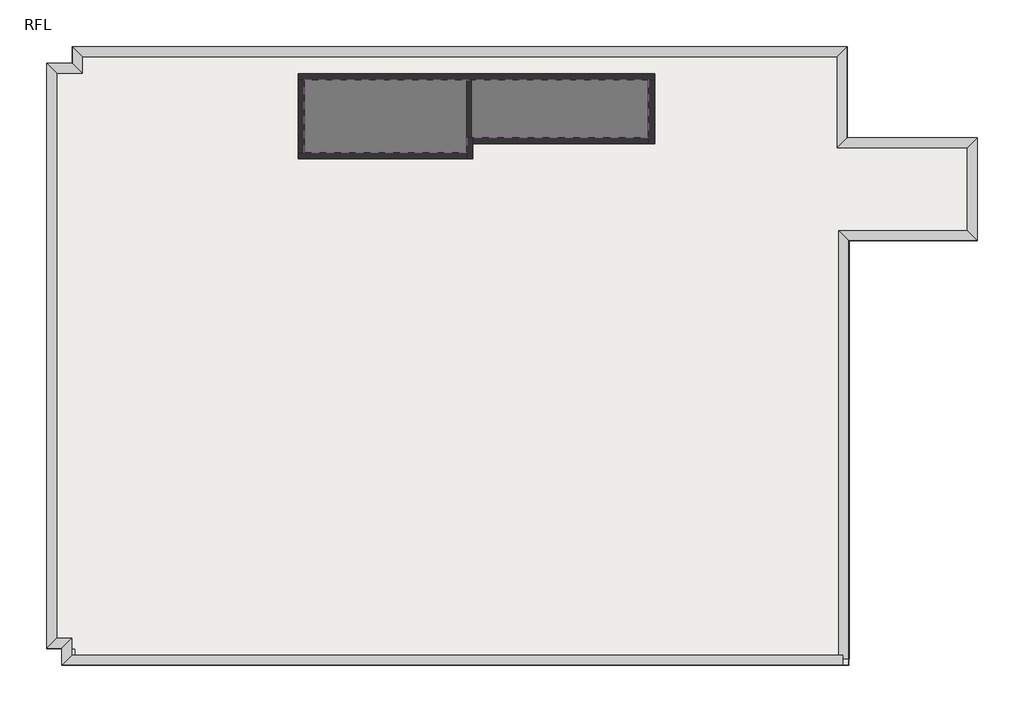
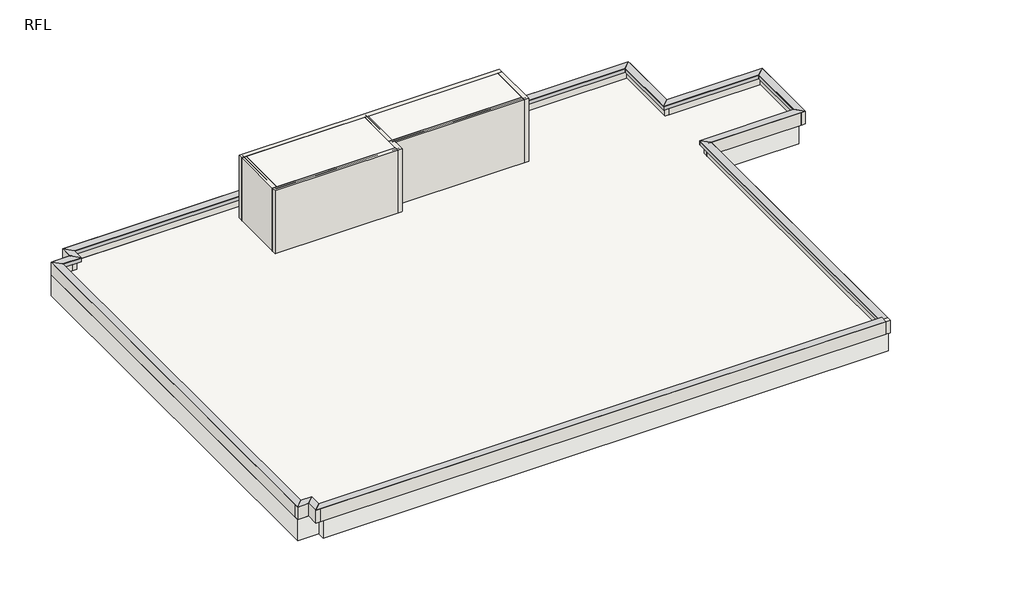
# One storey: 26 proxies, 19 walls, 2 slabs.
"""IFC4 building model written with IfcOpenShell, lengths in millimetres."""

from ifc_helpers import new_model, si_unit, frame, origin, place, context, project, spatial, polyline, outline, extrude, faceted_brep, element, save

model = new_model("IFC4")

# Units and contexts
model_context = context("Model", 3, world=origin())
ifc_project = project(units=[si_unit("LENGTHUNIT", "METRE", prefix="MILLI")], contexts=[model_context])

# Site, building, storey
site = spatial("IfcSite", under=ifc_project)
building = spatial("IfcBuilding", under=site)
storey = spatial("IfcBuildingStorey", under=building, Name="RFL", Elevation=32600.0)

# Proxies
placement = place(None, origin())
element("IfcBuildingElementProxy", 1, Name="Mass", at=placement, inside=storey, context=model_context, shape_type="SweptSolid", body=[
    extrude(outline(polyline([(-15395.9784025, 15749.6868987), (-15395.9784025, 13149.6868987), (-20945.9784025, 13149.6868987), (-20945.9784025, 15749.6868987), (-15395.9784025, 15749.6868987)])), frame((0.0, 0.0, 32600.0), z_axis=(0.0, 0.0, 1.0), x_axis=(1.0, 0.0, 0.0)), (0.0, 0.0, 1.0), 3000.0),
])
element("IfcBuildingElementProxy", 2, Name="Mass", at=placement, inside=storey, context=model_context, shape_type="SweptSolid", body=[
    extrude(outline(polyline([(-9395.9784025, 15749.6868987), (-9395.9784025, 13649.6868987), (-15395.9784025, 13649.6868987), (-15395.9784025, 15749.6868987), (-9395.9784025, 15749.6868987)])), frame((0.0, 0.0, 32600.0), z_axis=(0.0, 0.0, 1.0), x_axis=(1.0, 0.0, 0.0)), (0.0, 0.0, 1.0), 3000.0),
])
element("IfcBuildingElementProxy", 3, Name="Reveals", at=placement, inside=storey, context=model_context, shape_type="Brep", body=[
    faceted_brep([(-28165.9784025, 16419.6868987, 33170.0), (-28165.9784025, 16419.6868987, 33200.0), (-28495.9784025, 16749.6868987, 33200.0), (-3275.9784025, 16419.6868987, 33170.0), (-2945.9784025, 16749.6868987, 33200.0), (-3275.9784025, 16419.6868987, 33200.0)], [[[0, 1, 2]], [[3, 4, 5]], [[1, 0, 3, 5]], [[2, 1, 5, 4]], [[0, 2, 4, 3]]]),
])
element("IfcBuildingElementProxy", 4, Name="Wall Sweeps", at=placement, inside=storey, context=model_context, shape_type="Brep", body=[
    faceted_brep([(-28165.9784025, 16419.6868987, 33010.0), (-28165.9784025, 16419.6868987, 33170.0), (-28495.9784025, 16749.6868987, 33200.0), (-28295.9784025, 16549.6868987, 33010.0), (-3275.9784025, 16419.6868987, 33010.0), (-3145.9784025, 16549.6868987, 33010.0), (-2945.9784025, 16749.6868987, 33200.0), (-3275.9784025, 16419.6868987, 33170.0)], [[[0, 1, 2, 3]], [[4, 5, 6, 7]], [[1, 0, 4, 7]], [[2, 1, 7, 6]], [[3, 2, 6, 5]], [[0, 3, 5, 4]]]),
])
element("IfcBuildingElementProxy", 5, Name="Reveals", at=placement, inside=storey, context=model_context, shape_type="Brep", body=[
    faceted_brep([(-3275.9784025, 16419.6868987, 33170.0), (-3275.9784025, 16419.6868987, 33200.0), (-2945.9784025, 16749.6868987, 33200.0), (-3275.9784025, 13419.6868987, 33170.0), (-2945.9784025, 13749.6868987, 33200.0), (-3275.9784025, 13419.6868987, 33200.0)], [[[0, 1, 2]], [[3, 4, 5]], [[1, 0, 3, 5]], [[2, 1, 5, 4]], [[0, 2, 4, 3]]]),
])
element("IfcBuildingElementProxy", 6, Name="Wall Sweeps", at=placement, inside=storey, context=model_context, shape_type="Brep", body=[
    faceted_brep([(-3275.9784025, 16419.6868987, 33010.0), (-3275.9784025, 16419.6868987, 33170.0), (-2945.9784025, 16749.6868987, 33200.0), (-3145.9784025, 16549.6868987, 33010.0), (-3275.9784025, 13419.6868987, 33010.0), (-3145.9784025, 13549.6868987, 33010.0), (-2945.9784025, 13749.6868987, 33200.0), (-3275.9784025, 13419.6868987, 33170.0)], [[[0, 1, 2, 3]], [[4, 5, 6, 7]], [[1, 0, 4, 7]], [[2, 1, 7, 6]], [[3, 2, 6, 5]], [[0, 3, 5, 4]]]),
])
element("IfcBuildingElementProxy", 7, Name="Reveals", at=placement, inside=storey, context=model_context, shape_type="Brep", body=[
    faceted_brep([(-3275.9784025, 13419.6868987, 33170.0), (-3275.9784025, 13419.6868987, 33200.0), (-2945.9784025, 13749.6868987, 33200.0), (1024.0215975, 13419.6868987, 33170.0), (1354.0215975, 13749.6868987, 33200.0), (1024.0215975, 13419.6868987, 33200.0)], [[[0, 1, 2]], [[3, 4, 5]], [[1, 0, 3, 5]], [[2, 1, 5, 4]], [[0, 2, 4, 3]]]),
])
element("IfcBuildingElementProxy", 8, Name="Wall Sweeps", at=placement, inside=storey, context=model_context, shape_type="Brep", body=[
    faceted_brep([(-3275.9784025, 13419.6868987, 33010.0), (-3275.9784025, 13419.6868987, 33170.0), (-2945.9784025, 13749.6868987, 33200.0), (-3145.9784025, 13549.6868987, 33010.0), (1024.0215975, 13419.6868987, 33010.0), (1154.0215975, 13549.6868987, 33010.0), (1354.0215975, 13749.6868987, 33200.0), (1024.0215975, 13419.6868987, 33170.0)], [[[0, 1, 2, 3]], [[4, 5, 6, 7]], [[1, 0, 4, 7]], [[2, 1, 7, 6]], [[3, 2, 6, 5]], [[0, 3, 5, 4]]]),
])
element("IfcBuildingElementProxy", 9, Name="Reveals", at=placement, inside=storey, context=model_context, shape_type="Brep", body=[
    faceted_brep([(1024.0215975, 13419.6868987, 33170.0), (1024.0215975, 13419.6868987, 33200.0), (1354.0215975, 13749.6868987, 33200.0), (1024.0215975, 10679.6868987, 33170.0), (1354.0215975, 10349.6868987, 33200.0), (1024.0215975, 10679.6868987, 33200.0)], [[[0, 1, 2]], [[3, 4, 5]], [[1, 0, 3, 5]], [[2, 1, 5, 4]], [[0, 2, 4, 3]]]),
])
element("IfcBuildingElementProxy", 10, Name="Wall Sweeps", at=placement, inside=storey, context=model_context, shape_type="Brep", body=[
    faceted_brep([(1024.0215975, 13419.6868987, 33010.0), (1024.0215975, 13419.6868987, 33170.0), (1354.0215975, 13749.6868987, 33200.0), (1154.0215975, 13549.6868987, 33010.0), (1024.0215975, 10679.6868987, 33010.0), (1154.0215975, 10549.6868987, 33010.0), (1354.0215975, 10349.6868987, 33200.0), (1024.0215975, 10679.6868987, 33170.0)], [[[0, 1, 2, 3]], [[4, 5, 6, 7]], [[1, 0, 4, 7]], [[2, 1, 7, 6]], [[3, 2, 6, 5]], [[0, 3, 5, 4]]]),
])
element("IfcBuildingElementProxy", 11, Name="Reveals", at=placement, inside=storey, context=model_context, shape_type="Brep", body=[
    faceted_brep([(1024.0215975, 10679.6868987, 33170.0), (1024.0215975, 10679.6868987, 33200.0), (1354.0215975, 10349.6868987, 33200.0), (-3225.9784025, 10679.6868987, 33170.0), (-2895.9784025, 10349.6868987, 33200.0), (-3225.9784025, 10679.6868987, 33200.0)], [[[0, 1, 2]], [[3, 4, 5]], [[1, 0, 3, 5]], [[2, 1, 5, 4]], [[0, 2, 4, 3]]]),
])
element("IfcBuildingElementProxy", 12, Name="Wall Sweeps", at=placement, inside=storey, context=model_context, shape_type="Brep", body=[
    faceted_brep([(1024.0215975, 10679.6868987, 33010.0), (1024.0215975, 10679.6868987, 33170.0), (1354.0215975, 10349.6868987, 33200.0), (1154.0215975, 10549.6868987, 33010.0), (-3225.9784025, 10679.6868987, 33010.0), (-3095.9784025, 10549.6868987, 33010.0), (-2895.9784025, 10349.6868987, 33200.0), (-3225.9784025, 10679.6868987, 33170.0)], [[[0, 1, 2, 3]], [[4, 5, 6, 7]], [[1, 0, 4, 7]], [[2, 1, 7, 6]], [[3, 2, 6, 5]], [[0, 3, 5, 4]]]),
])
element("IfcBuildingElementProxy", 13, Name="Reveals", at=placement, inside=storey, context=model_context, shape_type="Brep", body=[
    faceted_brep([(-3225.9784025, 10679.6868987, 33170.0), (-3225.9784025, 10679.6868987, 33200.0), (-2895.9784025, 10349.6868987, 33200.0), (-3225.9784025, -3450.3131013, 33170.0), (-2895.9784025, -3450.3131013, 33200.0), (-3225.9784025, -3450.3131013, 33200.0)], [[[0, 1, 2]], [[3, 4, 5]], [[1, 0, 3, 5]], [[2, 1, 5, 4]], [[0, 2, 4, 3]]]),
])
element("IfcBuildingElementProxy", 14, Name="Wall Sweeps", at=placement, inside=storey, context=model_context, shape_type="Brep", body=[
    faceted_brep([(-3225.9784025, 10679.6868987, 33010.0), (-3225.9784025, 10679.6868987, 33170.0), (-2895.9784025, 10349.6868987, 33200.0), (-3095.9784025, 10549.6868987, 33010.0), (-3225.9784025, -3320.3131013, 33010.0), (-3095.9784025, -3450.3131013, 33010.0), (-2895.9784025, -3650.3131013, 33200.0), (-3225.9784025, -3320.3131013, 33170.0), (-2895.9784025, -3450.3131013, 33200.0)], [[[0, 1, 2, 3]], [[4, 5, 6, 7]], [[1, 0, 4, 7]], [[2, 1, 7, 6, 8]], [[3, 2, 8, 6, 5]], [[0, 3, 5, 4]]]),
])
element("IfcBuildingElementProxy", 15, Name="Reveals", at=placement, inside=storey, context=model_context, shape_type="Brep", body=[
    faceted_brep([(-3095.9784025, -3320.3131013, 33170.0), (-3095.9784025, -3320.3131013, 33200.0), (-3095.9784025, -3650.3131013, 33200.0), (-28515.9784025, -3320.3131013, 33170.0), (-28845.9784025, -3650.3131013, 33200.0), (-28515.9784025, -3320.3131013, 33200.0)], [[[0, 1, 2]], [[3, 4, 5]], [[1, 0, 3, 5]], [[2, 1, 5, 4]], [[0, 2, 4, 3]]]),
])
element("IfcBuildingElementProxy", 16, Name="Wall Sweeps", at=placement, inside=storey, context=model_context, shape_type="Brep", body=[
    faceted_brep([(-3225.9784025, -3320.3131013, 33010.0), (-3225.9784025, -3320.3131013, 33170.0), (-2895.9784025, -3650.3131013, 33200.0), (-3095.9784025, -3450.3131013, 33010.0), (-28515.9784025, -3320.3131013, 33010.0), (-28645.9784025, -3450.3131013, 33010.0), (-28845.9784025, -3650.3131013, 33200.0), (-28515.9784025, -3320.3131013, 33170.0)], [[[0, 1, 2, 3]], [[4, 5, 6, 7]], [[1, 0, 4, 7]], [[2, 1, 7, 6]], [[3, 2, 6, 5]], [[0, 3, 5, 4]]]),
])
element("IfcBuildingElementProxy", 17, Name="Reveals", at=placement, inside=storey, context=model_context, shape_type="Brep", body=[
    faceted_brep([(-28515.9784025, -3320.3131013, 33170.0), (-28515.9784025, -3320.3131013, 33200.0), (-28845.9784025, -3650.3131013, 33200.0), (-28515.9784025, -2765.3131013, 33170.0), (-28845.9784025, -3095.3131013, 33200.0), (-28515.9784025, -2765.3131013, 33200.0)], [[[0, 1, 2]], [[3, 4, 5]], [[1, 0, 3, 5]], [[2, 1, 5, 4]], [[0, 2, 4, 3]]]),
])
element("IfcBuildingElementProxy", 18, Name="Wall Sweeps", at=placement, inside=storey, context=model_context, shape_type="Brep", body=[
    faceted_brep([(-28515.9784025, -3320.3131013, 33010.0), (-28515.9784025, -3320.3131013, 33170.0), (-28845.9784025, -3650.3131013, 33200.0), (-28645.9784025, -3450.3131013, 33010.0), (-28515.9784025, -2765.3131013, 33010.0), (-28645.9784025, -2895.3131013, 33010.0), (-28845.9784025, -3095.3131013, 33200.0), (-28515.9784025, -2765.3131013, 33170.0)], [[[0, 1, 2, 3]], [[4, 5, 6, 7]], [[1, 0, 4, 7]], [[2, 1, 7, 6]], [[3, 2, 6, 5]], [[0, 3, 5, 4]]]),
])
element("IfcBuildingElementProxy", 19, Name="Reveals", at=placement, inside=storey, context=model_context, shape_type="Brep", body=[
    faceted_brep([(-28515.9784025, -2765.3131013, 33170.0), (-28515.9784025, -2765.3131013, 33200.0), (-28845.9784025, -3095.3131013, 33200.0), (-29015.9784025, -2765.3131013, 33170.0), (-29345.9784025, -3095.3131013, 33200.0), (-29015.9784025, -2765.3131013, 33200.0)], [[[0, 1, 2]], [[3, 4, 5]], [[1, 0, 3, 5]], [[2, 1, 5, 4]], [[0, 2, 4, 3]]]),
])
element("IfcBuildingElementProxy", 20, Name="Wall Sweeps", at=placement, inside=storey, context=model_context, shape_type="Brep", body=[
    faceted_brep([(-28515.9784025, -2765.3131013, 33010.0), (-28515.9784025, -2765.3131013, 33170.0), (-28845.9784025, -3095.3131013, 33200.0), (-28645.9784025, -2895.3131013, 33010.0), (-29015.9784025, -2765.3131013, 33010.0), (-29145.9784025, -2895.3131013, 33010.0), (-29345.9784025, -3095.3131013, 33200.0), (-29015.9784025, -2765.3131013, 33170.0)], [[[0, 1, 2, 3]], [[4, 5, 6, 7]], [[1, 0, 4, 7]], [[2, 1, 7, 6]], [[3, 2, 6, 5]], [[0, 3, 5, 4]]]),
])
element("IfcBuildingElementProxy", 21, Name="Reveals", at=placement, inside=storey, context=model_context, shape_type="Brep", body=[
    faceted_brep([(-29015.9784025, -2765.3131013, 33170.0), (-29015.9784025, -2765.3131013, 33200.0), (-29345.9784025, -3095.3131013, 33200.0), (-29015.9784025, 15869.6868987, 33170.0), (-29345.9784025, 16199.6868987, 33200.0), (-29015.9784025, 15869.6868987, 33200.0)], [[[0, 1, 2]], [[3, 4, 5]], [[1, 0, 3, 5]], [[2, 1, 5, 4]], [[0, 2, 4, 3]]]),
])
element("IfcBuildingElementProxy", 22, Name="Wall Sweeps", at=placement, inside=storey, context=model_context, shape_type="Brep", body=[
    faceted_brep([(-29015.9784025, -2765.3131013, 33010.0), (-29015.9784025, -2765.3131013, 33170.0), (-29345.9784025, -3095.3131013, 33200.0), (-29145.9784025, -2895.3131013, 33010.0), (-29015.9784025, 15869.6868987, 33010.0), (-29145.9784025, 15999.6868987, 33010.0), (-29345.9784025, 16199.6868987, 33200.0), (-29015.9784025, 15869.6868987, 33170.0)], [[[0, 1, 2, 3]], [[4, 5, 6, 7]], [[1, 0, 4, 7]], [[2, 1, 7, 6]], [[3, 2, 6, 5]], [[0, 3, 5, 4]]]),
])
element("IfcBuildingElementProxy", 23, Name="Reveals", at=placement, inside=storey, context=model_context, shape_type="Brep", body=[
    faceted_brep([(-29015.9784025, 15869.6868987, 33170.0), (-29015.9784025, 15869.6868987, 33200.0), (-29345.9784025, 16199.6868987, 33200.0), (-28165.9784025, 15869.6868987, 33170.0), (-28495.9784025, 16199.6868987, 33200.0), (-28165.9784025, 15869.6868987, 33200.0)], [[[0, 1, 2]], [[3, 4, 5]], [[1, 0, 3, 5]], [[2, 1, 5, 4]], [[0, 2, 4, 3]]]),
])
element("IfcBuildingElementProxy", 24, Name="Wall Sweeps", at=placement, inside=storey, context=model_context, shape_type="Brep", body=[
    faceted_brep([(-29015.9784025, 15869.6868987, 33010.0), (-29015.9784025, 15869.6868987, 33170.0), (-29345.9784025, 16199.6868987, 33200.0), (-29145.9784025, 15999.6868987, 33010.0), (-28165.9784025, 15869.6868987, 33010.0), (-28295.9784025, 15999.6868987, 33010.0), (-28495.9784025, 16199.6868987, 33200.0), (-28165.9784025, 15869.6868987, 33170.0)], [[[0, 1, 2, 3]], [[4, 5, 6, 7]], [[1, 0, 4, 7]], [[2, 1, 7, 6]], [[3, 2, 6, 5]], [[0, 3, 5, 4]]]),
])
element("IfcBuildingElementProxy", 25, Name="Reveals", at=placement, inside=storey, context=model_context, shape_type="Brep", body=[
    faceted_brep([(-28165.9784025, 15869.6868987, 33170.0), (-28165.9784025, 15869.6868987, 33200.0), (-28495.9784025, 16199.6868987, 33200.0), (-28165.9784025, 16419.6868987, 33170.0), (-28495.9784025, 16749.6868987, 33200.0), (-28165.9784025, 16419.6868987, 33200.0)], [[[0, 1, 2]], [[3, 4, 5]], [[1, 0, 3, 5]], [[2, 1, 5, 4]], [[0, 2, 4, 3]]]),
])
element("IfcBuildingElementProxy", 26, Name="Wall Sweeps", at=placement, inside=storey, context=model_context, shape_type="Brep", body=[
    faceted_brep([(-28165.9784025, 15869.6868987, 33010.0), (-28165.9784025, 15869.6868987, 33170.0), (-28495.9784025, 16199.6868987, 33200.0), (-28295.9784025, 15999.6868987, 33010.0), (-28165.9784025, 16419.6868987, 33010.0), (-28295.9784025, 16549.6868987, 33010.0), (-28495.9784025, 16749.6868987, 33200.0), (-28165.9784025, 16419.6868987, 33170.0)], [[[0, 1, 2, 3]], [[4, 5, 6, 7]], [[1, 0, 4, 7]], [[2, 1, 7, 6]], [[3, 2, 6, 5]], [[0, 3, 5, 4]]]),
])

# Slabs
element("IfcSlab", 27, at=placement, inside=storey, context=model_context, shape_type="SweptSolid", body=[
    extrude(outline(polyline([(-3145.9784025, 16549.6868987), (-3145.9784025, 13549.6868987), (1154.0215975, 13549.6868987), (1154.0215975, 10549.6868987), (-2870.9784025, 10549.6868987), (-2870.9784025, -3450.3131013), (-28395.9784025, -3450.3131013), (-28395.9784025, -3105.3131013), (-29345.9784025, -3105.3131013), (-29345.9784025, 16194.6868987), (-28395.9784025, 16194.6868987), (-28395.9784025, 16549.6868987), (-3145.9784025, 16549.6868987)])), frame((0.0, 0.0, 31600.0), z_axis=(0.0, 0.0, 1.0), x_axis=(1.0, 0.0, 0.0)), (0.0, 0.0, 1.0), 1000.0),
])
element("IfcSlab", 28, ObjectType="RC150", at=placement, inside=storey, context=model_context, shape_type="SweptSolid", body=[
    extrude(outline(polyline([(-9495.9784025, 15649.6868987), (-9495.9784025, 13749.6868987), (-15495.9784025, 13749.6868987), (-15495.9784025, 13249.6868987), (-20845.9784025, 13249.6868987), (-20845.9784025, 15649.6868987), (-9495.9784025, 15649.6868987)])), frame((0.0, 0.0, 35450.0), z_axis=(0.0, 0.0, 1.0), x_axis=(1.0, 0.0, 0.0)), (0.0, 0.0, 1.0), 150.0),
])

# Walls
element("IfcWall", 29, at=placement, inside=storey, context=model_context, shape_type="Brep", body=[
    faceted_brep([(-21045.9784025, 15649.6868987, 32600.0), (-20845.9784025, 15649.6868987, 32600.0), (-15495.9784025, 15649.6868987, 32600.0), (-15345.9784025, 15649.6868987, 32600.0), (-9495.9784025, 15649.6868987, 32600.0), (-9295.9784025, 15649.6868987, 32600.0), (-9295.9784025, 15649.6868987, 35600.0), (-9495.9784025, 15649.6868987, 35600.0), (-15345.9784025, 15649.6868987, 35600.0), (-15495.9784025, 15649.6868987, 35600.0), (-20845.9784025, 15649.6868987, 35600.0), (-21045.9784025, 15649.6868987, 35600.0), (-21045.9784025, 15849.6868987, 32600.0), (-21045.9784025, 15849.6868987, 35600.0), (-9295.9784025, 15849.6868987, 35600.0), (-9295.9784025, 15849.6868987, 32600.0)], [[[0, 1, 2, 3, 4, 5, 6, 7, 8, 9, 10, 11]], [[12, 13, 14, 15]], [[5, 4, 3, 2, 1, 0, 12, 15]], [[11, 10, 9, 8, 7, 6, 14, 13]], [[6, 5, 15, 14]], [[0, 11, 13, 12]]]),
])
element("IfcWall", 30, at=placement, inside=storey, context=model_context, shape_type="Brep", body=[
    faceted_brep([(-9495.9784025, 15649.6868987, 32600.0), (-9495.9784025, 13749.6868987, 32600.0), (-9495.9784025, 13549.6868987, 32600.0), (-9495.9784025, 13549.6868987, 35600.0), (-9495.9784025, 13749.6868987, 35600.0), (-9495.9784025, 15649.6868987, 35600.0), (-9295.9784025, 15649.6868987, 32600.0), (-9295.9784025, 15649.6868987, 35600.0), (-9295.9784025, 13549.6868987, 35600.0), (-9295.9784025, 13549.6868987, 32600.0)], [[[0, 1, 2, 3, 4, 5]], [[6, 7, 8, 9]], [[2, 1, 0, 6, 9]], [[5, 4, 3, 8, 7]], [[0, 5, 7, 6]], [[3, 2, 9, 8]]]),
])
element("IfcWall", 31, at=placement, inside=storey, context=model_context, shape_type="SweptSolid", body=[
    extrude(outline(polyline([(-15295.9784025, 13749.6868987), (-9495.9784025, 13749.6868987), (-9495.9784025, 13549.6868987), (-15295.9784025, 13549.6868987), (-15295.9784025, 13749.6868987)])), frame((0.0, 0.0, 32600.0), z_axis=(0.0, 0.0, 1.0), x_axis=(1.0, 0.0, 0.0)), (0.0, 0.0, 1.0), 3000.0),
])
element("IfcWall", 32, at=placement, inside=storey, context=model_context, shape_type="Brep", body=[
    faceted_brep([(-15495.9784025, 13749.6868987, 32600.0), (-15495.9784025, 13249.6868987, 32600.0), (-15495.9784025, 13049.6868987, 32600.0), (-15495.9784025, 13049.6868987, 35600.0), (-15495.9784025, 13249.6868987, 35600.0), (-15495.9784025, 13749.6868987, 35600.0), (-15295.9784025, 13749.6868987, 32600.0), (-15295.9784025, 13749.6868987, 35600.0), (-15295.9784025, 13549.6868987, 35600.0), (-15295.9784025, 13049.6868987, 35600.0), (-15295.9784025, 13049.6868987, 32600.0), (-15295.9784025, 13549.6868987, 32600.0), (-15345.9784025, 13749.6868987, 32600.0), (-15345.9784025, 13749.6868987, 35600.0)], [[[0, 1, 2, 3, 4, 5]], [[6, 7, 8, 9, 10, 11]], [[2, 1, 0, 12, 6, 11, 10]], [[5, 4, 3, 9, 8, 7, 13]], [[0, 5, 13, 7, 6, 12]], [[3, 2, 10, 9]]]),
])
element("IfcWall", 33, at=placement, inside=storey, context=model_context, shape_type="Brep", body=[
    faceted_brep([(-15495.9784025, 13249.6868987, 32600.0), (-20845.9784025, 13249.6868987, 32600.0), (-21045.9784025, 13249.6868987, 32600.0), (-21045.9784025, 13249.6868987, 35600.0), (-20845.9784025, 13249.6868987, 35600.0), (-15495.9784025, 13249.6868987, 35600.0), (-15495.9784025, 13049.6868987, 32600.0), (-15495.9784025, 13049.6868987, 35600.0), (-21045.9784025, 13049.6868987, 35600.0), (-21045.9784025, 13049.6868987, 32600.0)], [[[0, 1, 2, 3, 4, 5]], [[6, 7, 8, 9]], [[2, 1, 0, 6, 9]], [[5, 4, 3, 8, 7]], [[0, 5, 7, 6]], [[3, 2, 9, 8]]]),
])
element("IfcWall", 34, at=placement, inside=storey, context=model_context, shape_type="SweptSolid", body=[
    extrude(outline(polyline([(-20845.9784025, 15649.6868987), (-20845.9784025, 13249.6868987), (-21045.9784025, 13249.6868987), (-21045.9784025, 15649.6868987), (-20845.9784025, 15649.6868987)])), frame((0.0, 0.0, 32600.0), z_axis=(0.0, 0.0, 1.0), x_axis=(1.0, 0.0, 0.0)), (0.0, 0.0, 1.0), 3000.0),
])
element("IfcWall", 35, at=placement, inside=storey, context=model_context, shape_type="SweptSolid", body=[
    extrude(outline(polyline([(-15345.9784025, 15649.6868987), (-15345.9784025, 13749.6868987), (-15495.9784025, 13749.6868987), (-15495.9784025, 15649.6868987), (-15345.9784025, 15649.6868987)])), frame((0.0, 0.0, 32600.0), z_axis=(0.0, 0.0, 1.0), x_axis=(1.0, 0.0, 0.0)), (0.0, 0.0, 1.0), 3000.0),
])
element("IfcWall", 36, at=placement, inside=storey, context=model_context, shape_type="Brep", body=[
    faceted_brep([(-28295.9784025, 16549.6868987, 32600.0), (-3145.9784025, 16549.6868987, 32600.0), (-2945.9784025, 16549.6868987, 32600.0), (-2945.9784025, 16549.6868987, 33200.0), (-3145.9784025, 16549.6868987, 33010.0), (-28295.9784025, 16549.6868987, 33010.0), (-2945.9784025, 16749.6868987, 32600.0), (-28295.9784025, 16749.6868987, 32600.0), (-28295.9784025, 16749.6868987, 33200.0), (-2945.9784025, 16749.6868987, 33200.0)], [[[0, 1, 2, 3, 4, 5]], [[6, 7, 8, 9]], [[2, 1, 0, 7, 6]], [[4, 9, 8, 5]], [[3, 2, 6, 9]], [[9, 4, 3]], [[8, 7, 0, 5]]]),
])
element("IfcWall", 37, at=placement, inside=storey, context=model_context, shape_type="Brep", body=[
    faceted_brep([(-3145.9784025, 16549.6868987, 32600.0), (-3145.9784025, 13549.6868987, 32600.0), (-3145.9784025, 13549.6868987, 33010.0), (-3145.9784025, 16549.6868987, 33010.0), (-2945.9784025, 13549.6868987, 32600.0), (-2945.9784025, 13749.6868987, 32600.0), (-2945.9784025, 16549.6868987, 32600.0), (-2945.9784025, 16549.6868987, 33200.0), (-2945.9784025, 13749.6868987, 33200.0), (-2945.9784025, 13549.6868987, 33010.0)], [[[0, 1, 2, 3]], [[4, 5, 6, 7, 8, 9]], [[1, 0, 6, 5, 4]], [[2, 8, 7, 3]], [[7, 6, 0, 3]], [[1, 4, 9, 2]], [[8, 2, 9]]]),
])
element("IfcWall", 38, at=placement, inside=storey, context=model_context, shape_type="Brep", body=[
    faceted_brep([(-2945.9784025, 13549.6868987, 32600.0), (1154.0215975, 13549.6868987, 32600.0), (1354.0215975, 13549.6868987, 32600.0), (1354.0215975, 13549.6868987, 33200.0), (1154.0215975, 13549.6868987, 33010.0), (-2945.9784025, 13549.6868987, 33010.0), (1354.0215975, 13749.6868987, 32600.0), (-2945.9784025, 13749.6868987, 32600.0), (-2945.9784025, 13749.6868987, 33200.0), (1354.0215975, 13749.6868987, 33200.0)], [[[0, 1, 2, 3, 4, 5]], [[6, 7, 8, 9]], [[2, 1, 0, 7, 6]], [[4, 9, 8, 5]], [[8, 7, 0, 5]], [[3, 2, 6, 9]], [[9, 4, 3]]]),
])
element("IfcWall", 39, at=placement, inside=storey, context=model_context, shape_type="Brep", body=[
    faceted_brep([(1154.0215975, 13549.6868987, 32600.0), (1154.0215975, 10549.6868987, 32600.0), (1154.0215975, 10349.6868987, 32600.0), (1154.0215975, 10349.6868987, 33200.0), (1154.0215975, 10549.6868987, 33010.0), (1154.0215975, 13549.6868987, 33010.0), (1354.0215975, 10349.6868987, 32600.0), (1354.0215975, 13549.6868987, 32600.0), (1354.0215975, 13549.6868987, 33200.0), (1354.0215975, 10349.6868987, 33200.0)], [[[0, 1, 2, 3, 4, 5]], [[6, 7, 8, 9]], [[2, 1, 0, 7, 6]], [[4, 9, 8, 5]], [[8, 7, 0, 5]], [[3, 2, 6, 9]], [[9, 4, 3]]]),
])
element("IfcWall", 40, at=placement, inside=storey, context=model_context, shape_type="Brep", body=[
    faceted_brep([(1154.0215975, 10549.6868987, 32600.0), (-3095.9784025, 10549.6868987, 32600.0), (-3095.9784025, 10549.6868987, 33010.0), (1154.0215975, 10549.6868987, 33010.0), (-3095.9784025, 10349.6868987, 32600.0), (-2895.9784025, 10349.6868987, 32600.0), (1154.0215975, 10349.6868987, 32600.0), (1154.0215975, 10349.6868987, 33200.0), (-2895.9784025, 10349.6868987, 33200.0), (-3095.9784025, 10349.6868987, 33010.0)], [[[0, 1, 2, 3]], [[4, 5, 6, 7, 8, 9]], [[1, 0, 6, 5, 4]], [[2, 8, 7, 3]], [[7, 6, 0, 3]], [[1, 4, 9, 2]], [[8, 2, 9]]]),
])
element("IfcWall", 41, at=placement, inside=storey, context=model_context, shape_type="Brep", body=[
    faceted_brep([(-3095.9784025, -3450.3131013, 33200.0), (-3095.9784025, -3450.3131013, 33181.8181818), (-3095.9784025, -3650.3131013, 33200.0), (-3095.9784025, 10349.6868987, 32600.0), (-3095.9784025, -3450.3131013, 32600.0), (-3095.9784025, -3650.3131013, 32600.0), (-3095.9784025, -3450.3131013, 33010.0), (-3095.9784025, 10349.6868987, 33010.0), (-2895.9784025, -3650.3131013, 32600.0), (-2895.9784025, -3450.3131013, 32600.0), (-2895.9784025, 10349.6868987, 32600.0), (-2895.9784025, 10349.6868987, 33200.0), (-2895.9784025, -3450.3131013, 33200.0), (-2895.9784025, -3650.3131013, 33200.0), (-2945.9784025, -3650.3131013, 32600.0), (-2995.9784025, -3650.3131013, 32600.0), (-2895.9784025, -3650.3131013, 33200.0)], [[[0, 1, 2]], [[3, 4, 5, 2, 6, 7]], [[8, 9, 10, 11, 12, 13]], [[5, 4, 3, 10, 9, 8, 14, 15]], [[12, 0, 2, 13]], [[1, 0, 12]], [[16, 1, 12]], [[6, 16, 12, 11, 7]], [[11, 10, 3, 7]], [[2, 5, 15, 14, 8, 13]], [[16, 2, 1]], [[16, 6, 2]]]),
])
element("IfcWall", 42, at=placement, inside=storey, context=model_context, shape_type="SweptSolid", body=[
    extrude(outline(polyline([(-3450.3131013, 32600.0), (-3650.3131013, 32600.0), (-3650.3131013, 33200.0), (-3450.3131013, 33010.0), (-3450.3131013, 32600.0)])), frame((-28645.9784025, 0.0, 0.0), z_axis=(1.0, 0.0, 0.0), x_axis=(0.0, 1.0, 0.0)), (0.0, 0.0, 1.0), 25550.0),
])
element("IfcWall", 43, at=placement, inside=storey, context=model_context, shape_type="Brep", body=[
    faceted_brep([(-28645.9784025, -3650.3131013, 32600.0), (-28645.9784025, -3450.3131013, 32600.0), (-28645.9784025, -2895.3131013, 32600.0), (-28645.9784025, -2895.3131013, 33010.0), (-28645.9784025, -3450.3131013, 33010.0), (-28645.9784025, -3650.3131013, 33200.0), (-28845.9784025, -2895.3131013, 32600.0), (-28845.9784025, -3095.3131013, 32600.0), (-28845.9784025, -3650.3131013, 32600.0), (-28845.9784025, -3650.3131013, 33200.0), (-28845.9784025, -3095.3131013, 33200.0), (-28845.9784025, -2895.3131013, 33010.0)], [[[0, 1, 2, 3, 4, 5]], [[6, 7, 8, 9, 10, 11]], [[2, 1, 0, 8, 7, 6]], [[9, 4, 3, 10]], [[0, 5, 9, 8]], [[4, 9, 5]], [[2, 6, 11, 3]], [[10, 3, 11]]]),
])
element("IfcWall", 44, at=placement, inside=storey, context=model_context, shape_type="Brep", body=[
    faceted_brep([(-28845.9784025, -2895.3131013, 32600.0), (-29145.9784025, -2895.3131013, 32600.0), (-29345.9784025, -2895.3131013, 32600.0), (-29345.9784025, -2895.3131013, 33200.0), (-29145.9784025, -2895.3131013, 33010.0), (-28845.9784025, -2895.3131013, 33010.0), (-29345.9784025, -3095.3131013, 32600.0), (-28845.9784025, -3095.3131013, 32600.0), (-28845.9784025, -3095.3131013, 33200.0), (-29345.9784025, -3095.3131013, 33200.0)], [[[0, 1, 2, 3, 4, 5]], [[6, 7, 8, 9]], [[2, 1, 0, 7, 6]], [[4, 9, 8, 5]], [[8, 7, 0, 5]], [[3, 2, 6, 9]], [[9, 4, 3]]]),
])
element("IfcWall", 45, at=placement, inside=storey, context=model_context, shape_type="Brep", body=[
    faceted_brep([(-29145.9784025, -2895.3131013, 32600.0), (-29145.9784025, 15999.6868987, 32600.0), (-29145.9784025, 16199.6868987, 32600.0), (-29145.9784025, 16199.6868987, 33200.0), (-29145.9784025, 15999.6868987, 33010.0), (-29145.9784025, -2895.3131013, 33010.0), (-29345.9784025, 16199.6868987, 32600.0), (-29345.9784025, -2895.3131013, 32600.0), (-29345.9784025, -2895.3131013, 33200.0), (-29345.9784025, 16199.6868987, 33200.0)], [[[0, 1, 2, 3, 4, 5]], [[6, 7, 8, 9]], [[2, 1, 0, 7, 6]], [[4, 9, 8, 5]], [[8, 7, 0, 5]], [[3, 2, 6, 9]], [[9, 4, 3]]]),
])
element("IfcWall", 46, at=placement, inside=storey, context=model_context, shape_type="SweptSolid", body=[
    extrude(outline(polyline([(16199.6868987, 33200.0), (16199.6868987, 32600.0), (15999.6868987, 32600.0), (15999.6868987, 33010.0), (16199.6868987, 33200.0)])), frame((-29145.9784025, 0.0, 0.0), z_axis=(1.0, 0.0, 0.0), x_axis=(0.0, 1.0, 0.0)), (0.0, 0.0, 1.0), 650.0),
])
element("IfcWall", 47, at=placement, inside=storey, context=model_context, shape_type="Brep", body=[
    faceted_brep([(-28295.9784025, 15999.6868987, 32600.0), (-28295.9784025, 16549.6868987, 32600.0), (-28295.9784025, 16749.6868987, 32600.0), (-28295.9784025, 16749.6868987, 33200.0), (-28295.9784025, 16549.6868987, 33010.0), (-28295.9784025, 15999.6868987, 33010.0), (-28495.9784025, 16749.6868987, 32600.0), (-28495.9784025, 16199.6868987, 32600.0), (-28495.9784025, 15999.6868987, 32600.0), (-28495.9784025, 15999.6868987, 33010.0), (-28495.9784025, 16199.6868987, 33200.0), (-28495.9784025, 16749.6868987, 33200.0)], [[[0, 1, 2, 3, 4, 5]], [[6, 7, 8, 9, 10, 11]], [[2, 1, 0, 8, 7, 6]], [[10, 5, 4, 11]], [[3, 2, 6, 11]], [[8, 0, 5, 9]], [[5, 10, 9]], [[11, 4, 3]]]),
])

save(model, "model.ifc")
